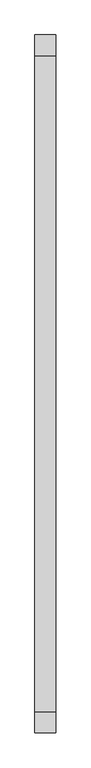
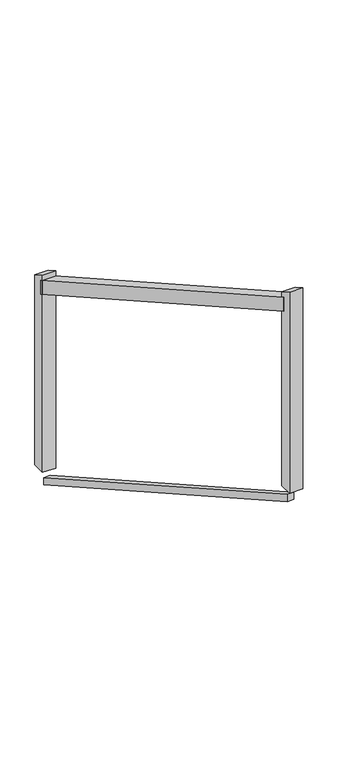
"""IFC4 building model written with IfcOpenShell, lengths in millimetres: railing geometry."""

from ifc_helpers import new_model, si_unit, frame, origin, place, context, project, spatial, polyline, outline, extrude, source, transform, mapped, element, save


def railing_10a080db(model_context):
    return source(origin(), model_context, "Body", "SweptSolid", [
        extrude(outline(polyline([(121048.0306038, 2268.760957), (121048.0306038, 2210.439043), (119416.0306038, 3130.839043), (119416.0306038, 3189.160957), (121048.0306038, 2268.760957)])), frame((-19966.2575545, 0.0, 0.0), z_axis=(1.0, 0.0, 0.0), x_axis=(0.0, 1.0, 0.0)), (0.0, 0.0, 1.0), 50.8),
        extrude(outline(polyline([(121048.0306038, 1456.5804785), (121048.0306038, 1427.4195215), (119416.0306038, 2347.8195215), (119416.0306038, 2376.9804785), (121048.0306038, 1456.5804785)])), frame((-19953.5575545, 0.0, 0.0), z_axis=(1.0, 0.0, 0.0), x_axis=(0.0, 1.0, 0.0)), (0.0, 0.0, 1.0), 25.4),
        extrude(outline(polyline([(119428.7306038, 3203.7375735), (119428.7306038, 2410.0), (119377.9306038, 2410.0), (119377.9306038, 3232.3872794), (119428.7306038, 3203.7375735)])), frame((-19966.2575545, 0.0, 0.0), z_axis=(1.0, 0.0, 0.0), x_axis=(0.0, 1.0, 0.0)), (0.0, 0.0, 1.0), 50.8),
        extrude(outline(polyline([(121086.1306038, 2269.0127206), (121086.1306038, 1489.6), (121035.3306038, 1489.6), (121035.3306038, 2297.6624265), (121086.1306038, 2269.0127206)])), frame((-19966.2575545, 0.0, 0.0), z_axis=(1.0, 0.0, 0.0), x_axis=(0.0, 1.0, 0.0)), (0.0, 0.0, 1.0), 50.8),
    ])


if __name__ == "__main__":
    model = new_model("IFC4")
    model_context = context("Model", 3, world=origin())
    ifc_project = project(units=[si_unit("LENGTHUNIT", "METRE", prefix="MILLI")], contexts=[model_context])
    site = spatial("IfcSite", under=ifc_project)
    building = spatial("IfcBuilding", under=site)
    placement = place(None, origin())
    railing_shape = railing_10a080db(model_context)
    element("IfcRailing", 1, at=placement, inside=building, context=model_context, shape_type="MappedRepresentation", body=[
        mapped(railing_shape, transform((0.0, 0.0, 0.0), x_axis=(1.0, 0.0, 0.0), y_axis=(0.0, 1.0, 0.0), z_axis=(0.0, 0.0, 1.0))),
    ])
    save(model, "model.ifc")
